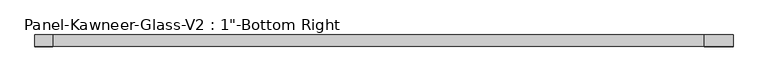
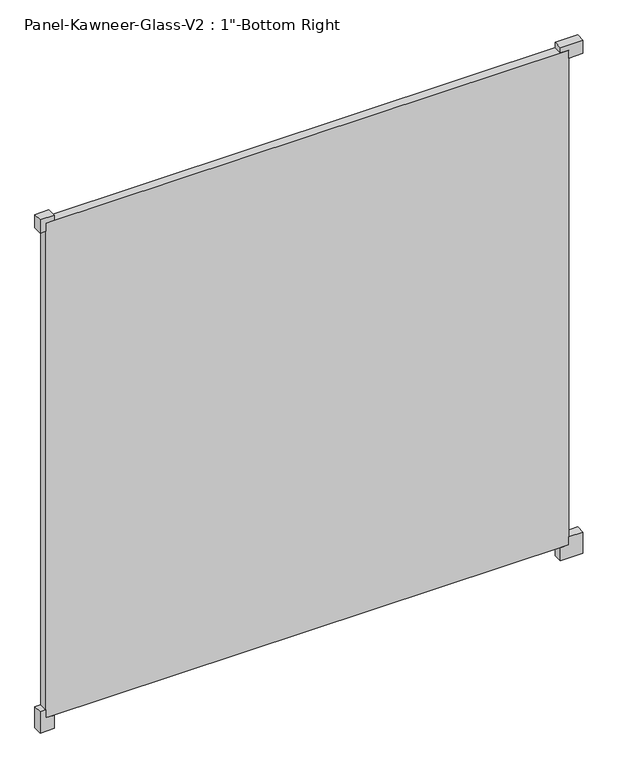
"""IFC4 building model written with IfcOpenShell, lengths in millimetres: plate geometry."""

from ifc_helpers import new_model, si_unit, frame, origin, origin_with_axes, place, context, project, spatial, polyline, outline, extrude, source, transform, mapped, element, save


def plate_783c250f(model_context):
    return source(origin(), model_context, "Body", "SweptSolid", [
        extrude(outline(polyline([(-39.6875, 714.375), (-39.6875, 777.875), (23.8125, 777.875), (23.8125, 738.1875), (0.0, 738.1875), (0.0, 714.375), (-39.6875, 714.375)])), frame((0.0, -12.7327949, 0.0), z_axis=(0.0, 1.0, 0.0), x_axis=(0.0, 0.0, 1.0)), (0.0, 0.0, 1.0), 25.4),
        extrude(outline(polyline([(-39.6875, -714.375), (0.0, -714.375), (0.0, -738.1875), (23.8125, -738.1875), (23.8125, -754.0625), (-39.6875, -754.0625), (-39.6875, -714.375)])), frame((0.0, -12.7327949, 0.0), z_axis=(0.0, 1.0, 0.0), x_axis=(0.0, 0.0, 1.0)), (0.0, 0.0, 1.0), 25.4),
        extrude(outline(polyline([(1492.25, 714.375), (1476.375, 714.375), (1476.375, 738.1875), (1452.5625, 738.1875), (1452.5625, 777.875), (1492.25, 777.875), (1492.25, 714.375)])), frame((0.0, -12.7327949, 0.0), z_axis=(0.0, 1.0, 0.0), x_axis=(0.0, 0.0, 1.0)), (0.0, 0.0, 1.0), 25.4),
        extrude(outline(polyline([(1492.25, -714.375), (1492.25, -754.0625), (1452.5625, -754.0625), (1452.5625, -738.1875), (1476.375, -738.1875), (1476.375, -714.375), (1492.25, -714.375)])), frame((0.0, -12.7327949, 0.0), z_axis=(0.0, 1.0, 0.0), x_axis=(0.0, 0.0, 1.0)), (0.0, 0.0, 1.0), 25.4),
        extrude(outline(polyline([(738.1875, 12.6672051), (738.1875, -12.7327949), (-738.1875, -12.7327949), (-738.1875, 12.6672051), (738.1875, 12.6672051)])), origin_with_axes(), (0.0, 0.0, 1.0), 1476.375),
    ])


if __name__ == "__main__":
    model = new_model("IFC4")
    model_context = context("Model", 3, world=origin())
    ifc_project = project(units=[si_unit("LENGTHUNIT", "METRE", prefix="MILLI")], contexts=[model_context])
    site = spatial("IfcSite", under=ifc_project)
    building = spatial("IfcBuilding", under=site)
    placement = place(None, origin())
    plate_shape = plate_783c250f(model_context)
    element("IfcPlate", 1, ObjectType="Panel-Kawneer-Glass-V2 : 1\"-Bottom Right", at=placement, inside=building, context=model_context, shape_type="MappedRepresentation", body=[
        mapped(plate_shape, transform((0.0, 0.0, 0.0), x_axis=(1.0, 0.0, 0.0), y_axis=(0.0, 1.0, 0.0), z_axis=(0.0, 0.0, 1.0))),
    ])
    save(model, "model.ifc")
